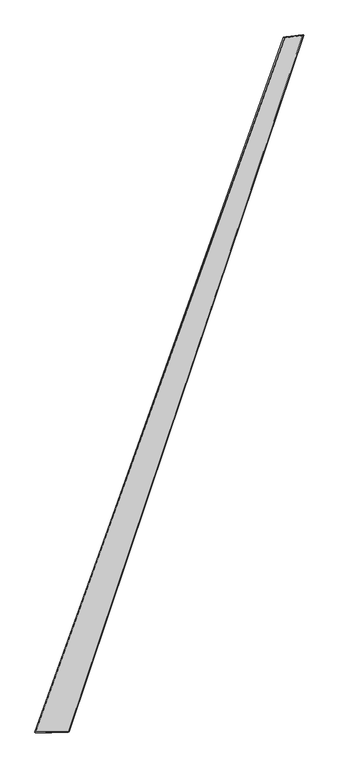
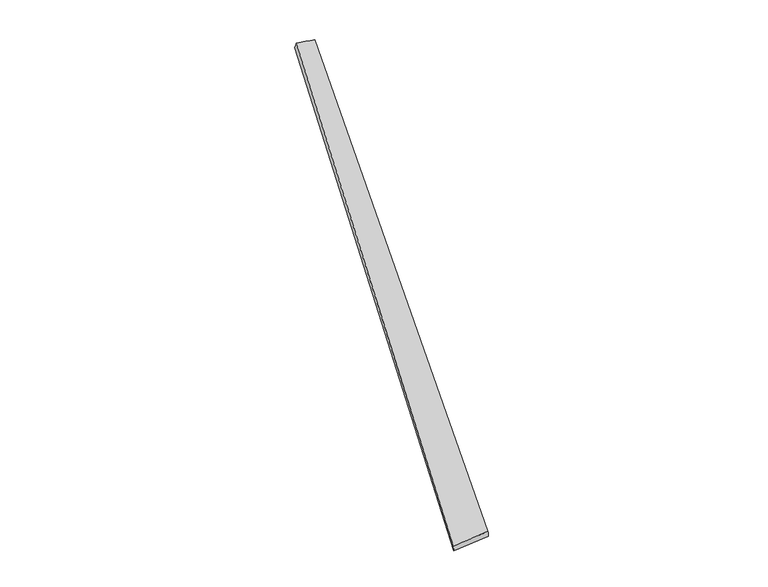
"""IFC4 building model written with IfcOpenShell, lengths in millimetres: proxy geometry."""

from ifc_helpers import new_model, si_unit, origin, place, context, project, spatial, source, transform, mapped, element, save
from ifc_brep_helpers import spline_surface, advanced_brep


def generic_models_e015a7c8(model_context):
    return source(origin(), model_context, "Body", "AdvancedBrep", [
        advanced_brep(
        [(-761.3798016, -1928.8288307, -8.0721622), (-763.7574698, -1928.1394235, 21.8255201), (757.7884647, 2297.0876035, 43.351978), (749.7979535, 2300.097093, 14.5927238), (-558.1178969, -1923.9202982, 37.9251211), (874.2496805, 2311.4388018, 14.559347), (-555.7583529, -1924.8718269, 8.0331967), (867.340201, 2313.6035646, -14.5537582)],
        [
            (0, 1),
            (1, 2),
            (2, 3),
            (3, 0),
            (1, 4),
            (4, 5),
            (5, 2),
            (4, 6),
            (6, 7),
            (7, 5),
            (6, 0),
            (3, 7),
        ],
        [
            spline_surface(1, 1, [[(-761.3798016, -1928.8288307, -8.0721622), (749.7979535, 2300.097093, 14.5927238)], [(-763.7574698, -1928.1394235, 21.8255201), (757.7884647, 2297.0876035, 43.351978)]], [2, 2], [2, 2], [0.0, 1.0], [0.0, 1.0]),
            spline_surface(1, 1, [[(-763.7574698, -1928.1394235, 21.8255201), (757.7884647, 2297.0876035, 43.351978)], [(-558.1178969, -1923.9202982, 37.9251211), (874.2496805, 2311.4388018, 14.559347)]], [2, 2], [2, 2], [0.0, 1.0], [0.0, 1.0]),
            spline_surface(1, 1, [[(-558.1178969, -1923.9202982, 37.9251211), (874.2496805, 2311.4388018, 14.559347)], [(-555.7583529, -1924.8718269, 8.0331967), (867.340201, 2313.6035646, -14.5537582)]], [2, 2], [2, 2], [0.0, 1.0], [0.0, 1.0]),
            spline_surface(1, 1, [[(-555.7583529, -1924.8718269, 8.0331967), (867.340201, 2313.6035646, -14.5537582)], [(-761.3798016, -1928.8288307, -8.0721622), (749.7979535, 2300.097093, 14.5927238)]], [2, 2], [2, 2], [0.0, 1.0], [0.0, 1.0]),
            spline_surface(1, 1, [[(757.7884647, 2297.0876035, 43.351978), (749.7979535, 2300.097093, 14.5927238)], [(874.2496805, 2311.4388018, 14.559347), (867.340201, 2313.6035646, -14.5537582)]], [2, 2], [2, 2], [0.0, 1.0], [0.0, 1.0]),
            spline_surface(1, 1, [[(-555.7583529, -1924.8718269, 8.0331967), (-761.3798016, -1928.8288307, -8.0721622)], [(-558.1178969, -1923.9202982, 37.9251211), (-763.7574698, -1928.1394235, 21.8255201)]], [2, 2], [2, 2], [0.0, 1.0], [0.0, 1.0]),
        ],
        [
            (0, [[1, 2, 3, 4]]),
            (1, [[5, 6, 7, -2]]),
            (2, [[8, 9, 10, -6]]),
            (3, [[11, -4, 12, -9]]),
            (4, [[-3, -7, -10, -12]]),
            (5, [[-11, -8, -5, -1]]),
        ],
    ),
    ])


if __name__ == "__main__":
    model = new_model("IFC4")
    model_context = context("Model", 3, world=origin())
    ifc_project = project(units=[si_unit("LENGTHUNIT", "METRE", prefix="MILLI")], contexts=[model_context])
    site = spatial("IfcSite", under=ifc_project)
    building = spatial("IfcBuilding", under=site)
    placement = place(None, origin())
    generic_models_shape = generic_models_e015a7c8(model_context)
    element("IfcBuildingElementProxy", 1, Name="Generic Models", at=placement, inside=building, context=model_context, shape_type="MappedRepresentation", body=[
        mapped(generic_models_shape, transform((0.0, 0.0, 0.0), x_axis=(1.0, 0.0, 0.0), y_axis=(0.0, 1.0, 0.0), z_axis=(0.0, 0.0, 1.0))),
    ])
    save(model, "model.ifc")
